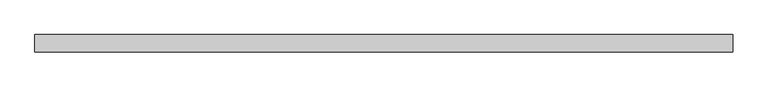
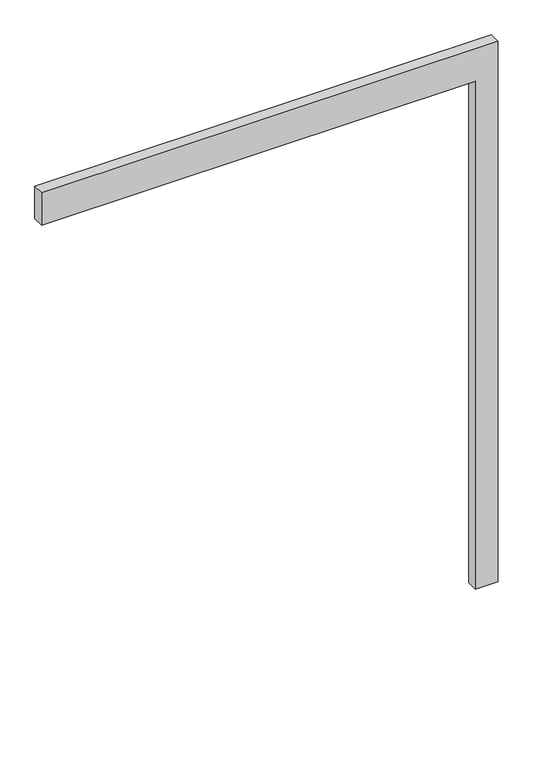
"""IFC4 building model written with IfcOpenShell, lengths in millimetres: proxy geometry."""

from ifc_helpers import new_model, si_unit, frame, origin, place, context, project, spatial, polyline, outline, extrude, source, transform, mapped, element, save


def generic_models_c91e0f31(model_context):
    return source(origin(), model_context, "Body", "SweptSolid", [
        extrude(outline(polyline([(2350.0, -1900.0), (2350.0, 0.0), (0.0, 0.0), (0.0, 100.0), (2500.0, 100.0), (2500.0, -1900.0), (2350.0, -1900.0)])), frame((0.0, -50.0, 0.0), z_axis=(0.0, 1.0, 0.0), x_axis=(0.0, 0.0, 1.0)), (0.0, 0.0, 1.0), 50.0),
    ])


if __name__ == "__main__":
    model = new_model("IFC4")
    model_context = context("Model", 3, world=origin())
    ifc_project = project(units=[si_unit("LENGTHUNIT", "METRE", prefix="MILLI")], contexts=[model_context])
    site = spatial("IfcSite", under=ifc_project)
    building = spatial("IfcBuilding", under=site)
    placement = place(None, origin())
    generic_models_shape = generic_models_c91e0f31(model_context)
    element("IfcBuildingElementProxy", 1, Name="Generic Models", at=placement, inside=building, context=model_context, shape_type="MappedRepresentation", body=[
        mapped(generic_models_shape, transform((0.0, 0.0, 0.0), x_axis=(1.0, 0.0, 0.0), y_axis=(0.0, 1.0, 0.0), z_axis=(0.0, 0.0, 1.0))),
    ])
    save(model, "model.ifc")
